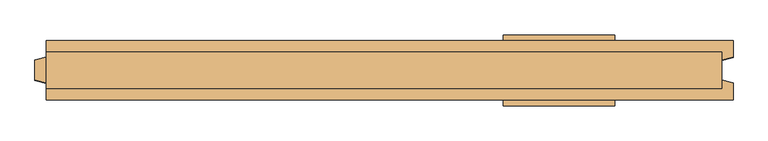
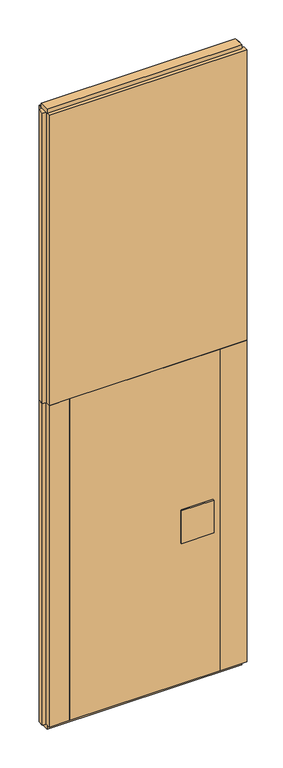
"""IFC4 building model written with IfcOpenShell, lengths in millimetres: door geometry."""

from ifc_helpers import new_model, si_unit, frame, origin, origin_with_axes, place, context, project, spatial, polyline, outline, extrude, source, transform, mapped, element, save


def door_c8245a77(model_context):
    return source(origin(), model_context, "Body", "SweptSolid", [
        extrude(outline(polyline([(-460.0, -52.5), (-460.0, 52.5), (460.0, 52.5), (460.0, -52.5), (-460.0, -52.5)])), frame((0.0, 0.0, 25.0), z_axis=(0.0, 0.0, 1.0), x_axis=(1.0, 0.0, 0.0)), (0.0, 0.0, 1.0), 2075.0),
        extrude(outline(polyline([(219.7719698, -62.5), (219.7719698, -52.5), (416.7719698, -52.5), (416.7719698, -62.5), (219.7719698, -62.5)])), frame((0.0, 0.0, 934.0), z_axis=(0.0, 0.0, 1.0), x_axis=(1.0, 0.0, 0.0)), (0.0, 0.0, 1.0), 212.0),
        extrude(outline(polyline([(219.7719698, 52.5), (219.7719698, 62.5), (416.7719698, 62.5), (416.7719698, 52.5), (219.7719698, 52.5)])), frame((0.0, 0.0, 934.0), z_axis=(0.0, 0.0, 1.0), x_axis=(1.0, 0.0, 0.0)), (0.0, 0.0, 1.0), 212.0),
        extrude(outline(polyline([(605.0, 32.0), (605.0, -32.0), (-585.0, -32.0), (-585.0, 32.0), (605.0, 32.0)])), origin_with_axes(), (0.0, 0.0, 1.0), 25.0),
        extrude(outline(polyline([(605.0, 32.0), (605.0, -32.0), (-585.0, -32.0), (-585.0, 32.0), (605.0, 32.0)])), frame((0.0, 0.0, 3975.0), z_axis=(0.0, 0.0, 1.0), x_axis=(1.0, 0.0, 0.0)), (0.0, 0.0, 1.0), 25.0),
        extrude(outline(polyline([(625.0, -52.5), (460.0, -52.5), (460.0, 52.5), (625.0, 52.5), (625.0, 23.0), (605.0, 17.6410162), (605.0, -17.6410162), (625.0, -23.0), (625.0, -52.5)])), frame((0.0, 0.0, 25.0), z_axis=(0.0, 0.0, 1.0), x_axis=(1.0, 0.0, 0.0)), (0.0, 0.0, 1.0), 2075.0),
        extrude(outline(polyline([(-585.0, -52.5), (-585.0, -23.0), (-605.0, -17.6410162), (-605.0, 17.6410162), (-585.0, 23.0), (-585.0, 52.5), (-460.0, 52.5), (-460.0, -52.5), (-585.0, -52.5)])), frame((0.0, 0.0, 25.0), z_axis=(0.0, 0.0, 1.0), x_axis=(1.0, 0.0, 0.0)), (0.0, 0.0, 1.0), 2075.0),
        extrude(outline(polyline([(625.0, 52.5), (625.0, 23.0), (605.0, 17.6410162), (605.0, -17.6410162), (625.0, -23.0), (625.0, -52.5), (-585.0, -52.5), (-585.0, -23.0), (-605.0, -17.6410162), (-605.0, 17.6410162), (-585.0, 23.0), (-585.0, 52.5), (625.0, 52.5)])), frame((0.0, 0.0, 2100.0), z_axis=(0.0, 0.0, 1.0), x_axis=(1.0, 0.0, 0.0)), (0.0, 0.0, 1.0), 1875.0),
    ])


if __name__ == "__main__":
    model = new_model("IFC4")
    model_context = context("Model", 3, world=origin())
    ifc_project = project(units=[si_unit("LENGTHUNIT", "METRE", prefix="MILLI")], contexts=[model_context])
    site = spatial("IfcSite", under=ifc_project)
    building = spatial("IfcBuilding", under=site)
    placement = place(None, origin())
    door_shape = door_c8245a77(model_context)
    element("IfcDoor", 1, at=placement, inside=building, context=model_context, shape_type="MappedRepresentation", body=[
        mapped(door_shape, transform((0.0, 0.0, 0.0), x_axis=(1.0, 0.0, 0.0), y_axis=(0.0, 1.0, 0.0), z_axis=(0.0, 0.0, 1.0))),
    ])
    save(model, "model.ifc")
